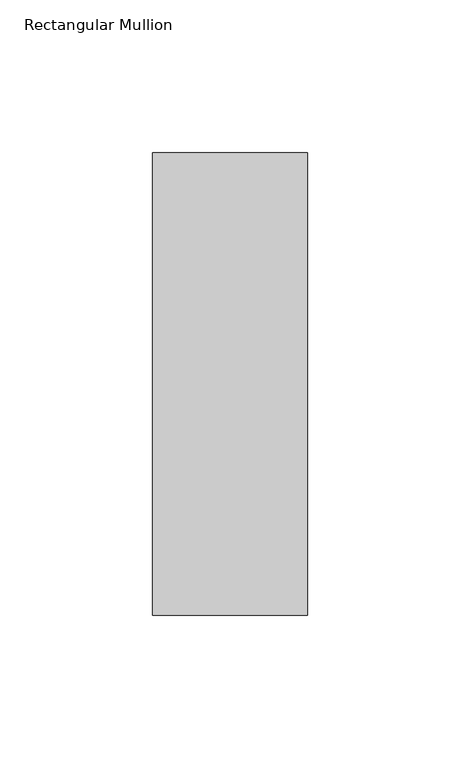
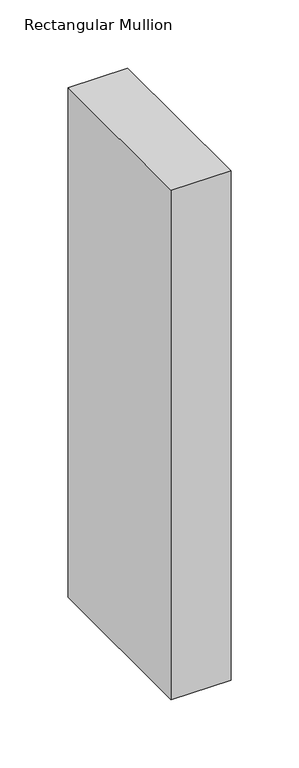
"""IFC4 building model written with IfcOpenShell, lengths in millimetres: member geometry, Rectangular Mullion."""

from ifc_helpers import new_model, si_unit, frame, origin, place, context, project, spatial, polyline, outline, extrude, source, transform, mapped, element, save


def rectangular_mullion_f3662c8f(model_context):
    return source(origin(), model_context, "Body", "SweptSolid", [
        extrude(outline(polyline([(-50.8, 25.7961253), (0.0, 25.7961253), (0.0, -125.8036906), (-50.8, -125.8036906), (-50.8, 25.7961253)])), frame((0.0, 0.0, -457.2), z_axis=(0.0, 0.0, 1.0), x_axis=(1.0, 0.0, 0.0)), (0.0, 0.0, 1.0), 457.2),
    ])


if __name__ == "__main__":
    model = new_model("IFC4")
    model_context = context("Model", 3, world=origin())
    ifc_project = project(units=[si_unit("LENGTHUNIT", "METRE", prefix="MILLI")], contexts=[model_context])
    site = spatial("IfcSite", under=ifc_project)
    building = spatial("IfcBuilding", under=site)
    placement = place(None, origin())
    rectangular_mullion_shape = rectangular_mullion_f3662c8f(model_context)
    element("IfcMember", 1, ObjectType="Rectangular Mullion", at=placement, inside=building, context=model_context, shape_type="MappedRepresentation", body=[
        mapped(rectangular_mullion_shape, transform((0.0, 0.0, 0.0), x_axis=(1.0, 0.0, 0.0), y_axis=(0.0, 1.0, 0.0), z_axis=(0.0, 0.0, 1.0))),
    ])
    save(model, "model.ifc")
